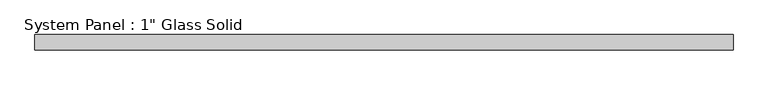
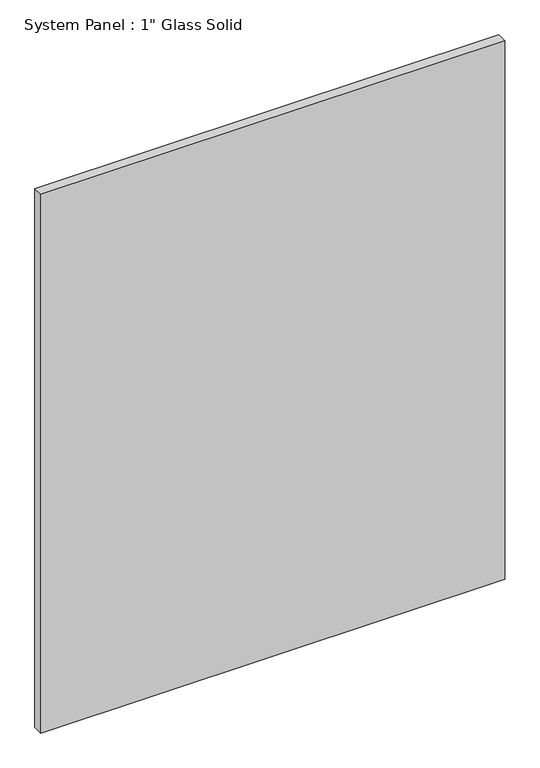
"""IFC4 building model written with IfcOpenShell, lengths in millimetres: plate geometry."""

import ifcopenshell
import ifcopenshell.guid

model = None  # the IFC model being written
_history = None  # IfcOwnerHistory: only IFC2X3 demands one
_inside = {}  # id of a spatial element -> (the spatial element, [elements in it])
_under = {}  # id of a project, library or spatial element -> (it, [spatial elements below it])
_declared = {}  # id of a project -> (the project, [libraries it declares])
_typed = {}  # id of a type object -> (the type object, [elements of that type])
_made_of = {}  # id of a material, layer set ... -> (it, [elements and type objects made of it])


def new_model(schema):
    """Start an empty IFC model of exactly this schema.

    Asked for "IFC4X3", IfcOpenShell would pick the latest addendum, in which some entities
    have other attributes; the version numbers below select the first issue.
    IFC2X3 requires an IfcOwnerHistory on every rooted entity: one is made here for all.
    """
    global model, _history
    if schema == "IFC4X3":
        model = ifcopenshell.file(schema_version=(4, 3, 0, 0))
    else:
        model = ifcopenshell.file(schema=schema)
    _inside.clear()
    _under.clear()
    _declared.clear()
    _typed.clear()
    _made_of.clear()
    _history = None
    if model.schema == "IFC2X3":
        org = make("IfcOrganization", Name="unknown")
        user = make(
            "IfcPersonAndOrganization",
            ThePerson=make("IfcPerson", FamilyName="unknown"),
            TheOrganization=org,
        )
        app = make(
            "IfcApplication",
            ApplicationDeveloper=org,
            Version="unknown",
            ApplicationFullName="unknown",
            ApplicationIdentifier="unknown",
        )
        _history = make(
            "IfcOwnerHistory",
            OwningUser=user,
            OwningApplication=app,
            ChangeAction="ADDED",
            CreationDate=0,
        )
    return model


def make(cls, **values):
    """One entity of the class cls with the attributes given. An attribute that is None is left unset."""
    return model.create_entity(
        cls, **{name: value for name, value in values.items() if value is not None}
    )


def rooted(cls, **values):
    """An entity with a GlobalId (a new one), such as an element, a storey or a relation."""
    return make(cls, GlobalId=ifcopenshell.guid.new(), OwnerHistory=_history, **values)


def si_unit(unit_type, name, prefix=None):
    """IfcSIUnit, for example si_unit("LENGTHUNIT", "METRE", prefix="MILLI")."""
    return make("IfcSIUnit", UnitType=unit_type, Prefix=prefix, Name=name)


def assignment(units):
    """IfcUnitAssignment: the units of a project."""
    return None if units is None else make("IfcUnitAssignment", Units=units)


def point(xyz):
    """IfcCartesianPoint."""
    return None if xyz is None else make("IfcCartesianPoint", Coordinates=xyz)


def direction(xyz):
    """IfcDirection."""
    return None if xyz is None else make("IfcDirection", DirectionRatios=xyz)


def frame(location, z_axis=None, x_axis=None):
    """IfcAxis2Placement3D, a coordinate frame: its origin and axes. An axis left out is left unset."""
    return make(
        "IfcAxis2Placement3D",
        Location=point(location),
        Axis=direction(z_axis),
        RefDirection=direction(x_axis),
    )


def origin():
    """The frame at (0, 0, 0) with its axes left unset."""
    return frame((0.0, 0.0, 0.0))


def origin_with_axes():
    """The frame at (0, 0, 0) with the z axis (0, 0, 1) and the x axis (1, 0, 0) written out."""
    return frame((0.0, 0.0, 0.0), z_axis=(0.0, 0.0, 1.0), x_axis=(1.0, 0.0, 0.0))


def place(relative_to, where):
    """IfcLocalPlacement: puts the frame where relative to a parent placement (None: the world)."""
    return make(
        "IfcLocalPlacement", PlacementRelTo=relative_to, RelativePlacement=where
    )


def context(
    kind, dimensions, precision=None, world=None, true_north=None, identifier=None
):
    """IfcGeometricRepresentationContext, for example the 3D "Model" context."""
    return make(
        "IfcGeometricRepresentationContext",
        ContextIdentifier=identifier,
        ContextType=kind,
        CoordinateSpaceDimension=dimensions,
        Precision=precision,
        WorldCoordinateSystem=world,
        TrueNorth=true_north,
    )


def project(units=None, contexts=None):
    """IfcProject with its units and contexts."""
    return rooted(
        "IfcProject",
        Name="project",
        RepresentationContexts=contexts,
        UnitsInContext=assignment(units),
    )


def spatial(cls, under=None, at=None, **own):
    """A site, building, storey or space (cls), placed at a placement, below another one or the project."""
    s = rooted(cls, ObjectPlacement=at, **own)
    if under is not None:
        _under.setdefault(under.id(), (under, []))[1].append(s)
    return s


def polyline(points):
    """IfcPolyline through the points."""
    return make("IfcPolyline", Points=[point(p) for p in points])


def outline(outer, holes=None, kind="AREA"):
    """IfcArbitraryClosedProfileDef: a profile drawn as a closed curve; with holes, ...WithVoids."""
    if holes is None:
        return make("IfcArbitraryClosedProfileDef", ProfileType=kind, OuterCurve=outer)
    return make(
        "IfcArbitraryProfileDefWithVoids",
        ProfileType=kind,
        OuterCurve=outer,
        InnerCurves=holes,
    )


def extrude(swept, where, along, depth):
    """IfcExtrudedAreaSolid: the profile swept, set in the frame where, extruded along a direction by depth."""
    return make(
        "IfcExtrudedAreaSolid",
        SweptArea=swept,
        Position=where,
        ExtrudedDirection=direction(along),
        Depth=depth,
    )


def shape(context_of_items, identifier, shape_type, items):
    """IfcShapeRepresentation: the items that make up one representation, for example the "Body"."""
    return make(
        "IfcShapeRepresentation",
        ContextOfItems=context_of_items,
        RepresentationIdentifier=identifier,
        RepresentationType=shape_type,
        Items=items,
    )


def source(mapping_origin, context_of_items, identifier, shape_type, items):
    """IfcRepresentationMap: a shape defined once, which mapped items show again and again."""
    return make(
        "IfcRepresentationMap",
        MappingOrigin=mapping_origin,
        MappedRepresentation=shape(context_of_items, identifier, shape_type, items),
    )


def transform(
    local_origin,
    x_axis=None,
    y_axis=None,
    z_axis=None,
    scale=None,
    scale2=None,
    scale3=None,
    uniform=True,
):
    """IfcCartesianTransformationOperator3D, or its non-uniform kind. x_axis, y_axis, z_axis: its Axis1, 2, 3."""
    if uniform:
        return make(
            "IfcCartesianTransformationOperator3D",
            Axis1=direction(x_axis),
            Axis2=direction(y_axis),
            LocalOrigin=point(local_origin),
            Scale=scale,
            Axis3=direction(z_axis),
        )
    return make(
        "IfcCartesianTransformationOperator3DnonUniform",
        Axis1=direction(x_axis),
        Axis2=direction(y_axis),
        LocalOrigin=point(local_origin),
        Scale=scale,
        Axis3=direction(z_axis),
        Scale2=scale2,
        Scale3=scale3,
    )


def mapped(mapping_source, mapping_target):
    """IfcMappedItem: shows the shape of a source again, moved by a transform."""
    return make(
        "IfcMappedItem", MappingSource=mapping_source, MappingTarget=mapping_target
    )


def made_of(thing, what):
    """Note that an element or type object is made of a material, layer set ...; save() writes the relation."""
    if what is not None:
        _made_of.setdefault(what.id(), (what, []))[1].append(thing)
    return thing


def element(
    cls,
    number,
    at=None,
    inside=None,
    cuts=None,
    type_object=None,
    material=None,
    context=None,
    identifier="Body",
    shape_type=None,
    held_by="IfcProductDefinitionShape",
    body=None,
    shapes=None,
    **own,
):
    """One element of the class cls, such as IfcWall. Its Tag is "e" and its number.

    at: its placement. inside: the storey or other place that contains it. cuts: it is an
    opening in that element (IfcRelVoidsElement). A single representation is given by context,
    identifier, shape_type and body (its items); several are given by shapes. held_by: the class
    of the entity that holds the representations. save() writes the other relations.
    """
    e = rooted(cls, Tag="e%d" % number, ObjectPlacement=at, **own)
    if body is not None:
        shapes = [shape(context, identifier, shape_type, body)]
    if shapes is not None:
        e.Representation = make(held_by, Representations=shapes)
    if inside is not None:
        _inside.setdefault(inside.id(), (inside, []))[1].append(e)
    if cuts is not None:
        rooted(
            "IfcRelVoidsElement", RelatingBuildingElement=cuts, RelatedOpeningElement=e
        )
    if type_object is not None:
        _typed.setdefault(type_object.id(), (type_object, []))[1].append(e)
    return made_of(e, material)


def aggregate(whole, parts):
    """IfcRelAggregates: a whole, such as a stair, and the parts it consists of."""
    return rooted("IfcRelAggregates", RelatingObject=whole, RelatedObjects=parts)


def save(model, path):
    """Write the relations noted so far, then the file.

    IfcRelAggregates (storeys below a building ...), IfcRelContainedInSpatialStructure (elements
    in a storey), IfcRelDefinesByType, IfcRelAssociatesMaterial and IfcRelDeclares: one each for
    every whole, place, type object, material and project.
    """
    for whole, parts in _under.values():
        aggregate(whole, parts)
    for where, things in _inside.values():
        rooted(
            "IfcRelContainedInSpatialStructure",
            RelatedElements=things,
            RelatingStructure=where,
        )
    for kind, things in _typed.values():
        rooted("IfcRelDefinesByType", RelatedObjects=things, RelatingType=kind)
    for what, things in _made_of.values():
        rooted("IfcRelAssociatesMaterial", RelatedObjects=things, RelatingMaterial=what)
    for by, libraries in _declared.values():
        rooted("IfcRelDeclares", RelatingContext=by, RelatedDefinitions=libraries)
    model.write(path)


def plate_5101ab2c(model_context):
    return source(origin(), model_context, "Body", "SweptSolid", [
        extrude(outline(polyline([(571.5008852, -12.7), (-571.5008852, -12.7), (-571.5008852, 12.7), (571.5008852, 12.7), (571.5008852, -12.7)])), origin_with_axes(), (0.0, 0.0, 1.0), 1403.2394027),
    ])


if __name__ == "__main__":
    model = new_model("IFC4")
    model_context = context("Model", 3, world=origin())
    ifc_project = project(units=[si_unit("LENGTHUNIT", "METRE", prefix="MILLI")], contexts=[model_context])
    site = spatial("IfcSite", under=ifc_project)
    building = spatial("IfcBuilding", under=site)
    placement = place(None, origin())
    plate_shape = plate_5101ab2c(model_context)
    element("IfcPlate", 1, ObjectType="System Panel : 1\" Glass Solid", at=placement, inside=building, context=model_context, shape_type="MappedRepresentation", body=[
        mapped(plate_shape, transform((0.0, 0.0, 0.0), x_axis=(1.0, 0.0, 0.0), y_axis=(0.0, 1.0, 0.0), z_axis=(0.0, 0.0, 1.0))),
    ])
    save(model, "model.ifc")
